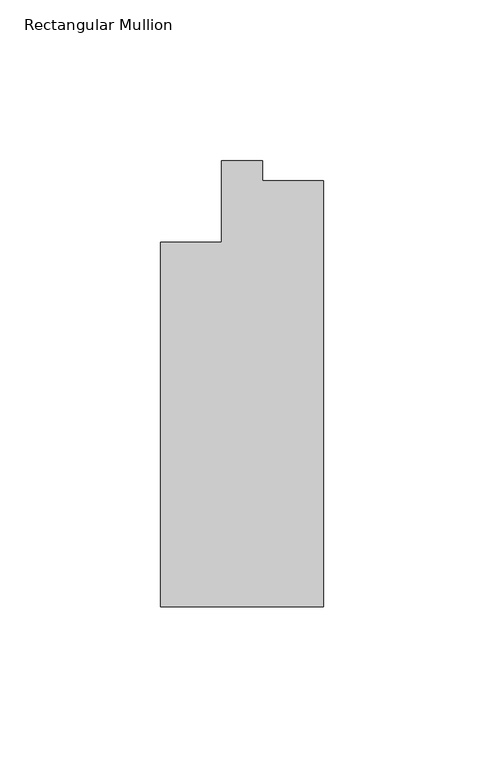
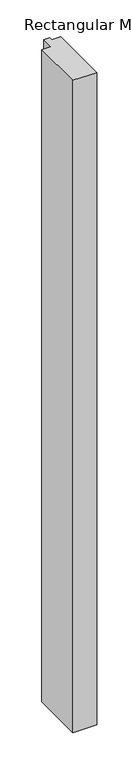
"""IFC4 building model written with IfcOpenShell, lengths in millimetres: member geometry, Rectangular Mullion."""

import ifcopenshell
import ifcopenshell.guid

model = None  # the IFC model being written
_history = None  # IfcOwnerHistory: only IFC2X3 demands one
_inside = {}  # id of a spatial element -> (the spatial element, [elements in it])
_under = {}  # id of a project, library or spatial element -> (it, [spatial elements below it])
_declared = {}  # id of a project -> (the project, [libraries it declares])
_typed = {}  # id of a type object -> (the type object, [elements of that type])
_made_of = {}  # id of a material, layer set ... -> (it, [elements and type objects made of it])


def new_model(schema):
    """Start an empty IFC model of exactly this schema.

    Asked for "IFC4X3", IfcOpenShell would pick the latest addendum, in which some entities
    have other attributes; the version numbers below select the first issue.
    IFC2X3 requires an IfcOwnerHistory on every rooted entity: one is made here for all.
    """
    global model, _history
    if schema == "IFC4X3":
        model = ifcopenshell.file(schema_version=(4, 3, 0, 0))
    else:
        model = ifcopenshell.file(schema=schema)
    _inside.clear()
    _under.clear()
    _declared.clear()
    _typed.clear()
    _made_of.clear()
    _history = None
    if model.schema == "IFC2X3":
        org = make("IfcOrganization", Name="unknown")
        user = make(
            "IfcPersonAndOrganization",
            ThePerson=make("IfcPerson", FamilyName="unknown"),
            TheOrganization=org,
        )
        app = make(
            "IfcApplication",
            ApplicationDeveloper=org,
            Version="unknown",
            ApplicationFullName="unknown",
            ApplicationIdentifier="unknown",
        )
        _history = make(
            "IfcOwnerHistory",
            OwningUser=user,
            OwningApplication=app,
            ChangeAction="ADDED",
            CreationDate=0,
        )
    return model


def make(cls, **values):
    """One entity of the class cls with the attributes given. An attribute that is None is left unset."""
    return model.create_entity(
        cls, **{name: value for name, value in values.items() if value is not None}
    )


def rooted(cls, **values):
    """An entity with a GlobalId (a new one), such as an element, a storey or a relation."""
    return make(cls, GlobalId=ifcopenshell.guid.new(), OwnerHistory=_history, **values)


def si_unit(unit_type, name, prefix=None):
    """IfcSIUnit, for example si_unit("LENGTHUNIT", "METRE", prefix="MILLI")."""
    return make("IfcSIUnit", UnitType=unit_type, Prefix=prefix, Name=name)


def assignment(units):
    """IfcUnitAssignment: the units of a project."""
    return None if units is None else make("IfcUnitAssignment", Units=units)


def point(xyz):
    """IfcCartesianPoint."""
    return None if xyz is None else make("IfcCartesianPoint", Coordinates=xyz)


def direction(xyz):
    """IfcDirection."""
    return None if xyz is None else make("IfcDirection", DirectionRatios=xyz)


def frame(location, z_axis=None, x_axis=None):
    """IfcAxis2Placement3D, a coordinate frame: its origin and axes. An axis left out is left unset."""
    return make(
        "IfcAxis2Placement3D",
        Location=point(location),
        Axis=direction(z_axis),
        RefDirection=direction(x_axis),
    )


def origin():
    """The frame at (0, 0, 0) with its axes left unset."""
    return frame((0.0, 0.0, 0.0))


def place(relative_to, where):
    """IfcLocalPlacement: puts the frame where relative to a parent placement (None: the world)."""
    return make(
        "IfcLocalPlacement", PlacementRelTo=relative_to, RelativePlacement=where
    )


def context(
    kind, dimensions, precision=None, world=None, true_north=None, identifier=None
):
    """IfcGeometricRepresentationContext, for example the 3D "Model" context."""
    return make(
        "IfcGeometricRepresentationContext",
        ContextIdentifier=identifier,
        ContextType=kind,
        CoordinateSpaceDimension=dimensions,
        Precision=precision,
        WorldCoordinateSystem=world,
        TrueNorth=true_north,
    )


def project(units=None, contexts=None):
    """IfcProject with its units and contexts."""
    return rooted(
        "IfcProject",
        Name="project",
        RepresentationContexts=contexts,
        UnitsInContext=assignment(units),
    )


def spatial(cls, under=None, at=None, **own):
    """A site, building, storey or space (cls), placed at a placement, below another one or the project."""
    s = rooted(cls, ObjectPlacement=at, **own)
    if under is not None:
        _under.setdefault(under.id(), (under, []))[1].append(s)
    return s


def polyline(points):
    """IfcPolyline through the points."""
    return make("IfcPolyline", Points=[point(p) for p in points])


def outline(outer, holes=None, kind="AREA"):
    """IfcArbitraryClosedProfileDef: a profile drawn as a closed curve; with holes, ...WithVoids."""
    if holes is None:
        return make("IfcArbitraryClosedProfileDef", ProfileType=kind, OuterCurve=outer)
    return make(
        "IfcArbitraryProfileDefWithVoids",
        ProfileType=kind,
        OuterCurve=outer,
        InnerCurves=holes,
    )


def extrude(swept, where, along, depth):
    """IfcExtrudedAreaSolid: the profile swept, set in the frame where, extruded along a direction by depth."""
    return make(
        "IfcExtrudedAreaSolid",
        SweptArea=swept,
        Position=where,
        ExtrudedDirection=direction(along),
        Depth=depth,
    )


def shape(context_of_items, identifier, shape_type, items):
    """IfcShapeRepresentation: the items that make up one representation, for example the "Body"."""
    return make(
        "IfcShapeRepresentation",
        ContextOfItems=context_of_items,
        RepresentationIdentifier=identifier,
        RepresentationType=shape_type,
        Items=items,
    )


def source(mapping_origin, context_of_items, identifier, shape_type, items):
    """IfcRepresentationMap: a shape defined once, which mapped items show again and again."""
    return make(
        "IfcRepresentationMap",
        MappingOrigin=mapping_origin,
        MappedRepresentation=shape(context_of_items, identifier, shape_type, items),
    )


def transform(
    local_origin,
    x_axis=None,
    y_axis=None,
    z_axis=None,
    scale=None,
    scale2=None,
    scale3=None,
    uniform=True,
):
    """IfcCartesianTransformationOperator3D, or its non-uniform kind. x_axis, y_axis, z_axis: its Axis1, 2, 3."""
    if uniform:
        return make(
            "IfcCartesianTransformationOperator3D",
            Axis1=direction(x_axis),
            Axis2=direction(y_axis),
            LocalOrigin=point(local_origin),
            Scale=scale,
            Axis3=direction(z_axis),
        )
    return make(
        "IfcCartesianTransformationOperator3DnonUniform",
        Axis1=direction(x_axis),
        Axis2=direction(y_axis),
        LocalOrigin=point(local_origin),
        Scale=scale,
        Axis3=direction(z_axis),
        Scale2=scale2,
        Scale3=scale3,
    )


def mapped(mapping_source, mapping_target):
    """IfcMappedItem: shows the shape of a source again, moved by a transform."""
    return make(
        "IfcMappedItem", MappingSource=mapping_source, MappingTarget=mapping_target
    )


def made_of(thing, what):
    """Note that an element or type object is made of a material, layer set ...; save() writes the relation."""
    if what is not None:
        _made_of.setdefault(what.id(), (what, []))[1].append(thing)
    return thing


def element(
    cls,
    number,
    at=None,
    inside=None,
    cuts=None,
    type_object=None,
    material=None,
    context=None,
    identifier="Body",
    shape_type=None,
    held_by="IfcProductDefinitionShape",
    body=None,
    shapes=None,
    **own,
):
    """One element of the class cls, such as IfcWall. Its Tag is "e" and its number.

    at: its placement. inside: the storey or other place that contains it. cuts: it is an
    opening in that element (IfcRelVoidsElement). A single representation is given by context,
    identifier, shape_type and body (its items); several are given by shapes. held_by: the class
    of the entity that holds the representations. save() writes the other relations.
    """
    e = rooted(cls, Tag="e%d" % number, ObjectPlacement=at, **own)
    if body is not None:
        shapes = [shape(context, identifier, shape_type, body)]
    if shapes is not None:
        e.Representation = make(held_by, Representations=shapes)
    if inside is not None:
        _inside.setdefault(inside.id(), (inside, []))[1].append(e)
    if cuts is not None:
        rooted(
            "IfcRelVoidsElement", RelatingBuildingElement=cuts, RelatedOpeningElement=e
        )
    if type_object is not None:
        _typed.setdefault(type_object.id(), (type_object, []))[1].append(e)
    return made_of(e, material)


def aggregate(whole, parts):
    """IfcRelAggregates: a whole, such as a stair, and the parts it consists of."""
    return rooted("IfcRelAggregates", RelatingObject=whole, RelatedObjects=parts)


def save(model, path):
    """Write the relations noted so far, then the file.

    IfcRelAggregates (storeys below a building ...), IfcRelContainedInSpatialStructure (elements
    in a storey), IfcRelDefinesByType, IfcRelAssociatesMaterial and IfcRelDeclares: one each for
    every whole, place, type object, material and project.
    """
    for whole, parts in _under.values():
        aggregate(whole, parts)
    for where, things in _inside.values():
        rooted(
            "IfcRelContainedInSpatialStructure",
            RelatedElements=things,
            RelatingStructure=where,
        )
    for kind, things in _typed.values():
        rooted("IfcRelDefinesByType", RelatedObjects=things, RelatingType=kind)
    for what, things in _made_of.values():
        rooted("IfcRelAssociatesMaterial", RelatedObjects=things, RelatingMaterial=what)
    for by, libraries in _declared.values():
        rooted("IfcRelDeclares", RelatingContext=by, RelatedDefinitions=libraries)
    model.write(path)


def rectangular_mullion_3472e41f(model_context):
    return source(origin(), model_context, "Body", "SweptSolid", [
        extrude(outline(polyline([(-25.4, -138.90625), (-25.4, -25.4), (-6.35, -25.4), (-6.35, 0.0), (6.35, 0.0), (6.35, -6.35), (25.4, -6.35), (25.4, -138.90625), (-25.4, -138.90625)])), frame((0.0, 0.0, -1460.5), z_axis=(0.0, 0.0, 1.0), x_axis=(1.0, 0.0, 0.0)), (0.0, 0.0, 1.0), 1460.5),
    ])


if __name__ == "__main__":
    model = new_model("IFC4")
    model_context = context("Model", 3, world=origin())
    ifc_project = project(units=[si_unit("LENGTHUNIT", "METRE", prefix="MILLI")], contexts=[model_context])
    site = spatial("IfcSite", under=ifc_project)
    building = spatial("IfcBuilding", under=site)
    placement = place(None, origin())
    rectangular_mullion_shape = rectangular_mullion_3472e41f(model_context)
    element("IfcMember", 1, ObjectType="Rectangular Mullion", at=placement, inside=building, context=model_context, shape_type="MappedRepresentation", body=[
        mapped(rectangular_mullion_shape, transform((0.0, 0.0, 0.0), x_axis=(1.0, 0.0, 0.0), y_axis=(0.0, 1.0, 0.0), z_axis=(0.0, 0.0, 1.0))),
    ])
    save(model, "model.ifc")
